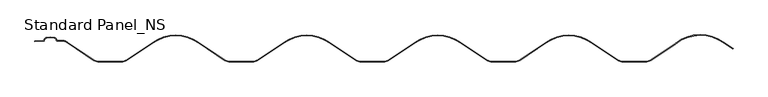
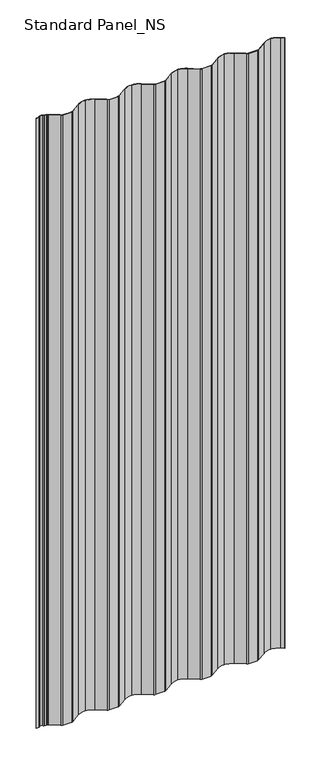
"""IFC4 building model written with IfcOpenShell, lengths in millimetres: proxy geometry, Standard Panel_NS."""

from ifc_helpers import new_model, si_unit, frame, origin, place, context, project, spatial, polyline, circle_curve, source, transform, mapped, element, save
from ifc_brep_helpers import plane_surface, cylinder_surface, revolved_surface, advanced_brep


def standard_panel_ns_d112b444(model_context):
    return source(origin(), model_context, "Body", "AdvancedBrep", [
        advanced_brep(
        [(-486.3485083, 56.731719, 2527.968552), (-487.3351296, 55.8947436, 2527.968552), (-499.9998793, 55.2999936, 2527.968552), (-499.9998793, 54.4964361, 2527.968552), (-487.3351296, 55.0947438, 2527.968552), (-485.5592106, 56.6012998, 2527.968552), (-482.1786224, 60.0466465, 2527.968552), (-470.5868875, 60.0466486, 2527.968552), (-467.2062902, 56.6011784, 2527.968552), (-465.4302124, 55.09444, 2527.968552), (-456.0900423, 55.09444, 2527.968552), (-453.5825161, 54.3696166, 2527.968552), (-450.2545801, 52.1086168, 2527.968552), (-410.7229082, 25.4954367, 2527.968552), (-404.4674259, 23.4994091, 2527.968552), (-365.8686419, 23.4994091, 2527.968552), (-359.6038439, 25.5038768, 2527.968552), (-320.0592959, 52.1248963, 2527.968552), (-285.1677597, 63.5, 2527.968552), (-250.2544324, 52.1089905, 2527.968552), (-210.7229991, 25.4959769, 2527.968552), (-204.4676671, 23.5, 2527.968552), (-165.8676528, 23.5, 2527.968552), (-159.6084129, 25.4988938, 2527.968552), (-120.081087, 52.1089905, 2527.968552), (-85.1677597, 63.5, 2527.968552), (-50.2544324, 52.1089905, 2527.968552), (-10.7229991, 25.4959769, 2527.968552), (-4.4676671, 23.5, 2527.968552), (34.1323473, 23.5, 2527.968552), (40.3915871, 25.4988938, 2527.968552), (79.918913, 52.1089905, 2527.968552), (114.8322403, 63.5, 2527.968552), (149.7455676, 52.1089905, 2527.968552), (189.2770009, 25.4959769, 2527.968552), (195.5323329, 23.5, 2527.968552), (234.1323472, 23.5, 2527.968552), (240.3915871, 25.4988938, 2527.968552), (279.918913, 52.1089905, 2527.968552), (314.8322403, 63.5, 2527.968552), (349.7455676, 52.1089905, 2527.968552), (389.2770009, 25.4959769, 2527.968552), (395.5323329, 23.5, 2527.968552), (434.1321477, 23.5, 2527.968552), (440.3874796, 25.4959769, 2527.968552), (477.7645921, 50.7322407, 2527.968552), (515.2973576, 64.1508962, 2527.968552), (550.1967245, 52.7700785, 2527.968552), (565.0958709, 43.0782637, 2527.968552), (565.5384208, 43.7447092, 2527.968552), (550.6478435, 53.431234, 2527.968552), (515.2973576, 64.9508962, 2527.968552), (477.2936612, 51.3806179, 2527.968552), (439.9241217, 26.1481268, 2527.968552), (434.1321477, 24.3, 2527.968552), (395.5323329, 24.3, 2527.968552), (389.7403589, 26.1481268, 2527.968552), (350.1967965, 52.7700749, 2527.968552), (314.8322403, 64.3, 2527.968552), (279.4676841, 52.7700749, 2527.968552), (239.9282319, 26.1510471, 2527.968552), (234.1321477, 24.3, 2527.968552), (195.5323329, 24.3, 2527.968552), (189.7403589, 26.1481268, 2527.968552), (150.1967965, 52.7700749, 2527.968552), (114.8322403, 64.3, 2527.968552), (79.4676841, 52.7700749, 2527.968552), (39.9282319, 26.1510471, 2527.968552), (34.1321477, 24.3, 2527.968552), (-4.4676671, 24.3, 2527.968552), (-10.2596411, 26.1481268, 2527.968552), (-49.8032035, 52.7700749, 2527.968552), (-85.1677597, 64.3, 2527.968552), (-120.5323159, 52.7700749, 2527.968552), (-160.0717681, 26.1510471, 2527.968552), (-165.8678523, 24.3, 2527.968552), (-204.4676671, 24.3, 2527.968552), (-210.2596411, 26.1481268, 2527.968552), (-249.8032035, 52.7700749, 2527.968552), (-285.1677597, 64.3, 2527.968552), (-320.5103641, 52.7860837, 2527.968552), (-360.0671973, 26.1560287, 2527.968552), (-365.8692904, 24.2994091, 2527.968552), (-404.4674259, 24.2994091, 2527.968552), (-410.2595511, 26.147585, 2527.968552), (-449.8033506, 52.7697008, 2527.968552), (-453.1556854, 55.0462372, 2527.968552), (-456.0900423, 55.89444, 2527.968552), (-465.4302124, 55.89444, 2527.968552), (-466.4169884, 56.731573, 2527.968552), (-470.4575491, 60.8362654, 2527.968552), (-482.3079602, 60.8362634, 2527.968552), (-486.3485083, 56.731719, -250.0), (-482.3079602, 60.8362634, -250.0), (-470.4575491, 60.8362654, -250.0), (-466.4169884, 56.731573, -250.0), (-465.4302124, 55.89444, -250.0), (-456.0900423, 55.89444, -250.0), (-453.1556854, 55.0462373, -250.0), (-449.8033506, 52.7697008, -250.0), (-410.2595501, 26.1475865, -250.0), (-404.4674259, 24.2994091, -250.0), (-365.8692904, 24.2994091, -250.0), (-360.0671978, 26.1560295, -250.0), (-320.5103641, 52.7860837, -250.0), (-285.1677597, 64.3, -250.0), (-249.8032035, 52.7700749, -250.0), (-210.2596411, 26.1481268, -250.0), (-204.4676671, 24.3, -250.0), (-165.8678523, 24.3, -250.0), (-160.0717673, 26.1510461, -250.0), (-120.5323159, 52.7700749, -250.0), (-85.1677597, 64.3, -250.0), (-49.8032035, 52.7700749, -250.0), (-10.2596411, 26.1481268, -250.0), (-4.4676671, 24.3, -250.0), (34.1321477, 24.3, -250.0), (39.9282327, 26.1510461, -250.0), (79.4676841, 52.7700749, -250.0), (114.8322403, 64.3, -250.0), (150.1967965, 52.7700749, -250.0), (189.7403589, 26.1481268, -250.0), (195.5323329, 24.3, -250.0), (234.1321477, 24.3, -250.0), (239.9282327, 26.1510461, -250.0), (279.4676841, 52.7700749, -250.0), (314.8322403, 64.3, -250.0), (350.1967965, 52.7700749, -250.0), (389.7403589, 26.1481268, -250.0), (395.5323329, 24.3, -250.0), (434.1321477, 24.3, -250.0), (439.9241217, 26.1481268, -250.0), (477.2936612, 51.3806179, -250.0), (515.2973576, 64.9508962, -250.0), (550.6478435, 53.431234, -250.0), (565.5384208, 43.7447092, -250.0), (565.0958709, 43.0782637, -250.0), (550.1967245, 52.7700785, -250.0), (515.2973576, 64.1508962, -250.0), (477.7645921, 50.7322407, -250.0), (440.3874796, 25.4959769, -250.0), (434.1321477, 23.5, -250.0), (395.5323329, 23.5, -250.0), (389.2770009, 25.4959769, -250.0), (349.7455676, 52.1089905, -250.0), (314.8322403, 63.5, -250.0), (279.918913, 52.1089905, -250.0), (240.3915864, 25.4988948, -250.0), (234.1323472, 23.5, -250.0), (195.5323329, 23.5, -250.0), (189.2770009, 25.4959769, -250.0), (149.7455676, 52.1089905, -250.0), (114.8322403, 63.5, -250.0), (79.918913, 52.1089905, -250.0), (40.3915864, 25.4988948, -250.0), (34.1323473, 23.5, -250.0), (-4.4676671, 23.5, -250.0), (-10.7229991, 25.4959769, -250.0), (-50.2544324, 52.1089905, -250.0), (-85.1677597, 63.5, -250.0), (-120.081087, 52.1089905, -250.0), (-159.6084136, 25.4988948, -250.0), (-165.8676528, 23.5, -250.0), (-204.4676671, 23.5, -250.0), (-210.7229991, 25.4959769, -250.0), (-250.2544324, 52.1089905, -250.0), (-285.1677597, 63.5, -250.0), (-320.0592959, 52.1248963, -250.0), (-359.6038434, 25.503876, -250.0), (-365.8686419, 23.4994091, -250.0), (-404.4674259, 23.4994091, -250.0), (-410.7229092, 25.4954353, -250.0), (-450.2545801, 52.1086168, -250.0), (-453.5825162, 54.3696165, -250.0), (-456.0900423, 55.09444, -250.0), (-465.4302124, 55.09444, -250.0), (-467.2062902, 56.6011784, -250.0), (-470.5868875, 60.0466486, -250.0), (-482.1786224, 60.0466465, -250.0), (-485.5592106, 56.6012998, -250.0), (-487.3351296, 55.0947436, -250.0), (-499.9998793, 54.4964361, -250.0), (-499.9998793, 55.2999936, -250.0), (-487.3351296, 55.8947438, -250.0)],
        [
            (0, 1, circle_curve(frame((-487.3351296, 56.8947428, 2527.968552), z_axis=(0.0, 0.0, -1.0), x_axis=(1.0, 0.0, 0.0)), 0.9999992)),
            (1, 2, circle_curve(frame((-487.3351296, -79.2457036, 2527.968552), z_axis=(0.0, 0.0, 1.0), x_axis=(1.0, 0.0, 0.0)), 135.1404474)),
            (2, 3),
            (3, 4, circle_curve(frame((-487.3351296, -79.2457036, 2527.968552), z_axis=(0.0, 0.0, -1.0), x_axis=(1.0, 0.0, 0.0)), 134.3404474)),
            (4, 5, circle_curve(frame((-487.3351296, 56.8947428, 2527.968552), z_axis=(0.0, 0.0, 1.0), x_axis=(1.0, 0.0, 0.0)), 1.7999992)),
            (5, 6, circle_curve(frame((-481.4154327, 55.9166048, 2527.968552), z_axis=(0.0, 0.0, -1.0), x_axis=(1.0, 0.0, 0.0)), 4.1999646)),
            (6, 7, circle_curve(frame((-476.3827477, 19.9354014, 2527.968552), z_axis=(0.0, 0.0, -1.0), x_axis=(1.0, 0.0, 0.0)), 40.5278194)),
            (7, 8, circle_curve(frame((-471.3500849, 55.9166129, 2527.968552), z_axis=(0.0, 0.0, -1.0), x_axis=(1.0, 0.0, 0.0)), 4.1999601)),
            (8, 9, circle_curve(frame((-465.4302124, 56.8945909, 2527.968552), z_axis=(0.0, 0.0, 1.0), x_axis=(1.0, 0.0, 0.0)), 1.8001509)),
            (9, 10),
            (10, 11, circle_curve(frame((-456.0900423, 50.3946355, 2527.968552), z_axis=(0.0, 0.0, -1.0), x_axis=(1.0, 0.0, 0.0)), 4.6998045)),
            (11, 12, circle_curve(frame((-485.1678875, 4.2998482, 2527.968552), z_axis=(0.0, 0.0, -1.0), x_axis=(1.0, 0.0, 0.0)), 59.199809)),
            (12, 13, circle_curve(frame((-957.9133952, -744.6435529, 2527.968552), z_axis=(0.0, 0.0, -1.0), x_axis=(1.0, 0.0, 0.0)), 944.7388488)),
            (13, 14, circle_curve(frame((-404.4674259, 34.2996665, 2527.968552), z_axis=(0.0, 0.0, 1.0), x_axis=(1.0, 0.0, 0.0)), 10.8002574)),
            (14, 15),
            (15, 16, circle_curve(frame((-365.8858957, 34.3456225, 2527.968552), z_axis=(0.0, 0.0, 1.0), x_axis=(1.0, 0.0, 0.0)), 10.8462271)),
            (16, 17, circle_curve(frame((187.5821921, -744.6393788, 2527.968552), z_axis=(0.0, 0.0, -1.0), x_axis=(1.0, 0.0, 0.0)), 944.7397474)),
            (17, 18, circle_curve(frame((-285.1677597, 4.3, 2527.968552), z_axis=(0.0, 0.0, -1.0), x_axis=(1.0, 0.0, 0.0)), 59.2)),
            (18, 19, circle_curve(frame((-285.1677597, 4.3, 2527.968552), z_axis=(0.0, 0.0, -1.0), x_axis=(1.0, 0.0, 0.0)), 59.2)),
            (19, 20, circle_curve(frame((-757.9133965, -744.6433117, 2527.968552), z_axis=(0.0, 0.0, -1.0), x_axis=(1.0, 0.0, 0.0)), 944.7390407)),
            (20, 21, circle_curve(frame((-204.4676671, 34.3, 2527.968552), z_axis=(0.0, 0.0, 1.0), x_axis=(1.0, 0.0, 0.0)), 10.8)),
            (21, 22),
            (22, 23, circle_curve(frame((-165.8729478, 34.3159692, 2527.968552), z_axis=(0.0, 0.0, 1.0), x_axis=(1.0, 0.0, 0.0)), 10.8159704)),
            (23, 24, circle_curve(frame((387.5778771, -744.6433117, 2527.968552), z_axis=(0.0, 0.0, -1.0), x_axis=(1.0, 0.0, 0.0)), 944.7390407)),
            (24, 25, circle_curve(frame((-85.1677597, 4.3, 2527.968552), z_axis=(0.0, 0.0, -1.0), x_axis=(1.0, 0.0, 0.0)), 59.2)),
            (25, 26, circle_curve(frame((-85.1677597, 4.3, 2527.968552), z_axis=(0.0, 0.0, -1.0), x_axis=(1.0, 0.0, 0.0)), 59.2)),
            (26, 27, circle_curve(frame((-557.9133965, -744.6433117, 2527.968552), z_axis=(0.0, 0.0, -1.0), x_axis=(1.0, 0.0, 0.0)), 944.7390407)),
            (27, 28, circle_curve(frame((-4.4676671, 34.3, 2527.968552), z_axis=(0.0, 0.0, 1.0), x_axis=(1.0, 0.0, 0.0)), 10.8)),
            (28, 29),
            (29, 30, circle_curve(frame((34.1270522, 34.3159692, 2527.968552), z_axis=(0.0, 0.0, 1.0), x_axis=(1.0, 0.0, 0.0)), 10.8159704)),
            (30, 31, circle_curve(frame((587.5778771, -744.6433117, 2527.968552), z_axis=(0.0, 0.0, -1.0), x_axis=(1.0, 0.0, 0.0)), 944.7390407)),
            (31, 32, circle_curve(frame((114.8322403, 4.3, 2527.968552), z_axis=(0.0, 0.0, -1.0), x_axis=(1.0, 0.0, 0.0)), 59.2)),
            (32, 33, circle_curve(frame((114.8322403, 4.3, 2527.968552), z_axis=(0.0, 0.0, -1.0), x_axis=(1.0, 0.0, 0.0)), 59.2)),
            (33, 34, circle_curve(frame((-357.9133965, -744.6433117, 2527.968552), z_axis=(0.0, 0.0, -1.0), x_axis=(1.0, 0.0, 0.0)), 944.7390407)),
            (34, 35, circle_curve(frame((195.5323329, 34.3, 2527.968552), z_axis=(0.0, 0.0, 1.0), x_axis=(1.0, 0.0, 0.0)), 10.8)),
            (35, 36),
            (36, 37, circle_curve(frame((234.1270522, 34.3159692, 2527.968552), z_axis=(0.0, 0.0, 1.0), x_axis=(1.0, 0.0, 0.0)), 10.8159704)),
            (37, 38, circle_curve(frame((787.5778771, -744.6433117, 2527.968552), z_axis=(0.0, 0.0, -1.0), x_axis=(1.0, 0.0, 0.0)), 944.7390407)),
            (38, 39, circle_curve(frame((314.8322403, 4.3, 2527.968552), z_axis=(0.0, 0.0, -1.0), x_axis=(1.0, 0.0, 0.0)), 59.2)),
            (39, 40, circle_curve(frame((314.8322403, 4.3, 2527.968552), z_axis=(0.0, 0.0, -1.0), x_axis=(1.0, 0.0, 0.0)), 59.2)),
            (40, 41, circle_curve(frame((-157.9133965, -744.6433117, 2527.968552), z_axis=(0.0, 0.0, -1.0), x_axis=(1.0, 0.0, 0.0)), 944.7390407)),
            (41, 42, circle_curve(frame((395.5323329, 34.3, 2527.968552), z_axis=(0.0, 0.0, 1.0), x_axis=(1.0, 0.0, 0.0)), 10.8)),
            (42, 43),
            (43, 44, circle_curve(frame((434.1321477, 34.3, 2527.968552), z_axis=(0.0, 0.0, 1.0), x_axis=(1.0, 0.0, 0.0)), 10.8)),
            (44, 45, circle_curve(frame((987.5778771, -744.6433117, 2527.968552), z_axis=(0.0, 0.0, -1.0), x_axis=(1.0, 0.0, 0.0)), 944.7390407)),
            (45, 46, circle_curve(frame((515.2973576, 4.9508962, 2527.968552), z_axis=(0.0, 0.0, -1.0), x_axis=(1.0, 0.0, 0.0)), 59.2)),
            (46, 47, circle_curve(frame((515.2973576, 4.9508962, 2527.968552), z_axis=(0.0, 0.0, -1.0), x_axis=(1.0, 0.0, 0.0)), 59.2)),
            (47, 48, circle_curve(frame((45.5507572, -739.3160553, 2527.968552), z_axis=(0.0, 0.0, -1.0), x_axis=(1.0, 0.0, 0.0)), 939.1847505)),
            (48, 49),
            (49, 50, circle_curve(frame((45.5507572, -739.3160553, 2527.968552), z_axis=(0.0, 0.0, 1.0), x_axis=(1.0, 0.0, 0.0)), 939.9847505)),
            (50, 51, circle_curve(frame((515.2973576, 4.9508962, 2527.968552), z_axis=(0.0, 0.0, 1.0), x_axis=(1.0, 0.0, 0.0)), 60.0)),
            (51, 52, circle_curve(frame((515.2973576, 4.9508962, 2527.968552), z_axis=(0.0, 0.0, 1.0), x_axis=(1.0, 0.0, 0.0)), 60.0)),
            (52, 53, circle_curve(frame((987.5778771, -744.6433117, 2527.968552), z_axis=(0.0, 0.0, 1.0), x_axis=(1.0, 0.0, 0.0)), 945.5390407)),
            (53, 54, circle_curve(frame((434.1321477, 34.3, 2527.968552), z_axis=(0.0, 0.0, -1.0), x_axis=(1.0, 0.0, 0.0)), 10.0)),
            (54, 55),
            (55, 56, circle_curve(frame((395.5323329, 34.3, 2527.968552), z_axis=(0.0, 0.0, -1.0), x_axis=(1.0, 0.0, 0.0)), 10.0)),
            (56, 57, circle_curve(frame((-157.9133965, -744.6433117, 2527.968552), z_axis=(0.0, 0.0, 1.0), x_axis=(1.0, 0.0, 0.0)), 945.5390407)),
            (57, 58, circle_curve(frame((314.8322403, 4.3, 2527.968552), z_axis=(0.0, 0.0, 1.0), x_axis=(1.0, 0.0, 0.0)), 60.0)),
            (58, 59, circle_curve(frame((314.8322403, 4.3, 2527.968552), z_axis=(0.0, 0.0, 1.0), x_axis=(1.0, 0.0, 0.0)), 60.0)),
            (59, 60, circle_curve(frame((787.5778771, -744.6433117, 2527.968552), z_axis=(0.0, 0.0, 1.0), x_axis=(1.0, 0.0, 0.0)), 945.5390407)),
            (60, 61, circle_curve(frame((234.1270522, 34.3159692, 2527.968552), z_axis=(0.0, 0.0, -1.0), x_axis=(1.0, 0.0, 0.0)), 10.0159704)),
            (61, 62),
            (62, 63, circle_curve(frame((195.5323329, 34.3, 2527.968552), z_axis=(0.0, 0.0, -1.0), x_axis=(1.0, 0.0, 0.0)), 10.0)),
            (63, 64, circle_curve(frame((-357.9133965, -744.6433117, 2527.968552), z_axis=(0.0, 0.0, 1.0), x_axis=(1.0, 0.0, 0.0)), 945.5390407)),
            (64, 65, circle_curve(frame((114.8322403, 4.3, 2527.968552), z_axis=(0.0, 0.0, 1.0), x_axis=(1.0, 0.0, 0.0)), 60.0)),
            (65, 66, circle_curve(frame((114.8322403, 4.3, 2527.968552), z_axis=(0.0, 0.0, 1.0), x_axis=(1.0, 0.0, 0.0)), 60.0)),
            (66, 67, circle_curve(frame((587.5778771, -744.6433117, 2527.968552), z_axis=(0.0, 0.0, 1.0), x_axis=(1.0, 0.0, 0.0)), 945.5390407)),
            (67, 68, circle_curve(frame((34.1270522, 34.3159692, 2527.968552), z_axis=(0.0, 0.0, -1.0), x_axis=(1.0, 0.0, 0.0)), 10.0159704)),
            (68, 69),
            (69, 70, circle_curve(frame((-4.4676671, 34.3, 2527.968552), z_axis=(0.0, 0.0, -1.0), x_axis=(1.0, 0.0, 0.0)), 10.0)),
            (70, 71, circle_curve(frame((-557.9133965, -744.6433117, 2527.968552), z_axis=(0.0, 0.0, 1.0), x_axis=(1.0, 0.0, 0.0)), 945.5390407)),
            (71, 72, circle_curve(frame((-85.1677597, 4.3, 2527.968552), z_axis=(0.0, 0.0, 1.0), x_axis=(1.0, 0.0, 0.0)), 60.0)),
            (72, 73, circle_curve(frame((-85.1677597, 4.3, 2527.968552), z_axis=(0.0, 0.0, 1.0), x_axis=(1.0, 0.0, 0.0)), 60.0)),
            (73, 74, circle_curve(frame((387.5778771, -744.6433117, 2527.968552), z_axis=(0.0, 0.0, 1.0), x_axis=(1.0, 0.0, 0.0)), 945.5390407)),
            (74, 75, circle_curve(frame((-165.8729478, 34.3159692, 2527.968552), z_axis=(0.0, 0.0, -1.0), x_axis=(1.0, 0.0, 0.0)), 10.0159704)),
            (75, 76),
            (76, 77, circle_curve(frame((-204.4676671, 34.3, 2527.968552), z_axis=(0.0, 0.0, -1.0), x_axis=(1.0, 0.0, 0.0)), 10.0)),
            (77, 78, circle_curve(frame((-757.9133965, -744.6433117, 2527.968552), z_axis=(0.0, 0.0, 1.0), x_axis=(1.0, 0.0, 0.0)), 945.5390407)),
            (78, 79, circle_curve(frame((-285.1677597, 4.3, 2527.968552), z_axis=(0.0, 0.0, 1.0), x_axis=(1.0, 0.0, 0.0)), 60.0)),
            (79, 80, circle_curve(frame((-285.1677597, 4.3, 2527.968552), z_axis=(0.0, 0.0, 1.0), x_axis=(1.0, 0.0, 0.0)), 60.0)),
            (80, 81, circle_curve(frame((187.5821921, -744.6393788, 2527.968552), z_axis=(0.0, 0.0, 1.0), x_axis=(1.0, 0.0, 0.0)), 945.5397474)),
            (81, 82, circle_curve(frame((-365.8858957, 34.3456225, 2527.968552), z_axis=(0.0, 0.0, -1.0), x_axis=(1.0, 0.0, 0.0)), 10.0462271)),
            (82, 83),
            (83, 84, circle_curve(frame((-404.4674259, 34.2996665, 2527.968552), z_axis=(0.0, 0.0, -1.0), x_axis=(1.0, 0.0, 0.0)), 10.0002574)),
            (84, 85, circle_curve(frame((-957.9133952, -744.6435529, 2527.968552), z_axis=(0.0, 0.0, 1.0), x_axis=(1.0, 0.0, 0.0)), 945.5388488)),
            (85, 86, circle_curve(frame((-485.1678875, 4.2998482, 2527.968552), z_axis=(0.0, 0.0, 1.0), x_axis=(1.0, 0.0, 0.0)), 59.999809)),
            (86, 87, circle_curve(frame((-456.0900423, 50.3946355, 2527.968552), z_axis=(0.0, 0.0, 1.0), x_axis=(1.0, 0.0, 0.0)), 5.4998045)),
            (87, 88),
            (88, 89, circle_curve(frame((-465.4302124, 56.8945909, 2527.968552), z_axis=(0.0, 0.0, -1.0), x_axis=(1.0, 0.0, 0.0)), 1.0001509)),
            (89, 90, circle_curve(frame((-471.3500849, 55.9166129, 2527.968552), z_axis=(0.0, 0.0, 1.0), x_axis=(1.0, 0.0, 0.0)), 4.9999601)),
            (90, 91, circle_curve(frame((-476.3827477, 19.9354014, 2527.968552), z_axis=(0.0, 0.0, 1.0), x_axis=(1.0, 0.0, 0.0)), 41.3278194)),
            (91, 0, circle_curve(frame((-481.4154327, 55.9166048, 2527.968552), z_axis=(0.0, 0.0, 1.0), x_axis=(1.0, 0.0, 0.0)), 4.9999646)),
            (92, 93, circle_curve(frame((-481.4154327, 55.9166048, -250.0), z_axis=(0.0, 0.0, -1.0), x_axis=(1.0, 0.0, 0.0)), 4.9999646)),
            (93, 94, circle_curve(frame((-476.3827477, 19.9354014, -250.0), z_axis=(0.0, 0.0, -1.0), x_axis=(1.0, 0.0, 0.0)), 41.3278194)),
            (94, 95, circle_curve(frame((-471.3500849, 55.9166129, -250.0), z_axis=(0.0, 0.0, -1.0), x_axis=(1.0, 0.0, 0.0)), 4.9999601)),
            (95, 96, circle_curve(frame((-465.4302124, 56.8945909, -250.0), z_axis=(0.0, 0.0, 1.0), x_axis=(1.0, 0.0, 0.0)), 1.0001509)),
            (96, 97),
            (97, 98, circle_curve(frame((-456.0900423, 50.3946355, -250.0), z_axis=(0.0, 0.0, -1.0), x_axis=(1.0, 0.0, 0.0)), 5.4998045)),
            (98, 99, circle_curve(frame((-485.1678875, 4.2998482, -250.0), z_axis=(0.0, 0.0, -1.0), x_axis=(1.0, 0.0, 0.0)), 59.999809)),
            (99, 100, circle_curve(frame((-957.9133952, -744.6435529, -250.0), z_axis=(0.0, 0.0, -1.0), x_axis=(1.0, 0.0, 0.0)), 945.5388488)),
            (100, 101, circle_curve(frame((-404.4674259, 34.2996665, -250.0), z_axis=(0.0, 0.0, 1.0), x_axis=(1.0, 0.0, 0.0)), 10.0002574)),
            (101, 102),
            (102, 103, circle_curve(frame((-365.8858957, 34.3456225, -250.0), z_axis=(0.0, 0.0, 1.0), x_axis=(1.0, 0.0, 0.0)), 10.0462271)),
            (103, 104, circle_curve(frame((187.5821921, -744.6393788, -250.0), z_axis=(0.0, 0.0, -1.0), x_axis=(1.0, 0.0, 0.0)), 945.5397474)),
            (104, 105, circle_curve(frame((-285.1677597, 4.3, -250.0), z_axis=(0.0, 0.0, -1.0), x_axis=(1.0, 0.0, 0.0)), 60.0)),
            (105, 106, circle_curve(frame((-285.1677597, 4.3, -250.0), z_axis=(0.0, 0.0, -1.0), x_axis=(1.0, 0.0, 0.0)), 60.0)),
            (106, 107, circle_curve(frame((-757.9133965, -744.6433117, -250.0), z_axis=(0.0, 0.0, -1.0), x_axis=(1.0, 0.0, 0.0)), 945.5390407)),
            (107, 108, circle_curve(frame((-204.4676671, 34.3, -250.0), z_axis=(0.0, 0.0, 1.0), x_axis=(1.0, 0.0, 0.0)), 10.0)),
            (108, 109),
            (109, 110, circle_curve(frame((-165.8729478, 34.3159692, -250.0), z_axis=(0.0, 0.0, 1.0), x_axis=(1.0, 0.0, 0.0)), 10.0159704)),
            (110, 111, circle_curve(frame((387.5778771, -744.6433117, -250.0), z_axis=(0.0, 0.0, -1.0), x_axis=(1.0, 0.0, 0.0)), 945.5390407)),
            (111, 112, circle_curve(frame((-85.1677597, 4.3, -250.0), z_axis=(0.0, 0.0, -1.0), x_axis=(1.0, 0.0, 0.0)), 60.0)),
            (112, 113, circle_curve(frame((-85.1677597, 4.3, -250.0), z_axis=(0.0, 0.0, -1.0), x_axis=(1.0, 0.0, 0.0)), 60.0)),
            (113, 114, circle_curve(frame((-557.9133965, -744.6433117, -250.0), z_axis=(0.0, 0.0, -1.0), x_axis=(1.0, 0.0, 0.0)), 945.5390407)),
            (114, 115, circle_curve(frame((-4.4676671, 34.3, -250.0), z_axis=(0.0, 0.0, 1.0), x_axis=(1.0, 0.0, 0.0)), 10.0)),
            (115, 116),
            (116, 117, circle_curve(frame((34.1270522, 34.3159692, -250.0), z_axis=(0.0, 0.0, 1.0), x_axis=(1.0, 0.0, 0.0)), 10.0159704)),
            (117, 118, circle_curve(frame((587.5778771, -744.6433117, -250.0), z_axis=(0.0, 0.0, -1.0), x_axis=(1.0, 0.0, 0.0)), 945.5390407)),
            (118, 119, circle_curve(frame((114.8322403, 4.3, -250.0), z_axis=(0.0, 0.0, -1.0), x_axis=(1.0, 0.0, 0.0)), 60.0)),
            (119, 120, circle_curve(frame((114.8322403, 4.3, -250.0), z_axis=(0.0, 0.0, -1.0), x_axis=(1.0, 0.0, 0.0)), 60.0)),
            (120, 121, circle_curve(frame((-357.9133965, -744.6433117, -250.0), z_axis=(0.0, 0.0, -1.0), x_axis=(1.0, 0.0, 0.0)), 945.5390407)),
            (121, 122, circle_curve(frame((195.5323329, 34.3, -250.0), z_axis=(0.0, 0.0, 1.0), x_axis=(1.0, 0.0, 0.0)), 10.0)),
            (122, 123),
            (123, 124, circle_curve(frame((234.1270522, 34.3159692, -250.0), z_axis=(0.0, 0.0, 1.0), x_axis=(1.0, 0.0, 0.0)), 10.0159704)),
            (124, 125, circle_curve(frame((787.5778771, -744.6433117, -250.0), z_axis=(0.0, 0.0, -1.0), x_axis=(1.0, 0.0, 0.0)), 945.5390407)),
            (125, 126, circle_curve(frame((314.8322403, 4.3, -250.0), z_axis=(0.0, 0.0, -1.0), x_axis=(1.0, 0.0, 0.0)), 60.0)),
            (126, 127, circle_curve(frame((314.8322403, 4.3, -250.0), z_axis=(0.0, 0.0, -1.0), x_axis=(1.0, 0.0, 0.0)), 60.0)),
            (127, 128, circle_curve(frame((-157.9133965, -744.6433117, -250.0), z_axis=(0.0, 0.0, -1.0), x_axis=(1.0, 0.0, 0.0)), 945.5390407)),
            (128, 129, circle_curve(frame((395.5323329, 34.3, -250.0), z_axis=(0.0, 0.0, 1.0), x_axis=(1.0, 0.0, 0.0)), 10.0)),
            (129, 130),
            (130, 131, circle_curve(frame((434.1321477, 34.3, -250.0), z_axis=(0.0, 0.0, 1.0), x_axis=(1.0, 0.0, 0.0)), 10.0)),
            (131, 132, circle_curve(frame((987.5778771, -744.6433117, -250.0), z_axis=(0.0, 0.0, -1.0), x_axis=(1.0, 0.0, 0.0)), 945.5390407)),
            (132, 133, circle_curve(frame((515.2973576, 4.9508962, -250.0), z_axis=(0.0, 0.0, -1.0), x_axis=(1.0, 0.0, 0.0)), 60.0)),
            (133, 134, circle_curve(frame((515.2973576, 4.9508962, -250.0), z_axis=(0.0, 0.0, -1.0), x_axis=(1.0, 0.0, 0.0)), 60.0)),
            (134, 135, circle_curve(frame((45.5507572, -739.3160553, -250.0), z_axis=(0.0, 0.0, -1.0), x_axis=(1.0, 0.0, 0.0)), 939.9847505)),
            (135, 136),
            (136, 137, circle_curve(frame((45.5507572, -739.3160553, -250.0), z_axis=(0.0, 0.0, 1.0), x_axis=(1.0, 0.0, 0.0)), 939.1847505)),
            (137, 138, circle_curve(frame((515.2973576, 4.9508962, -250.0), z_axis=(0.0, 0.0, 1.0), x_axis=(1.0, 0.0, 0.0)), 59.2)),
            (138, 139, circle_curve(frame((515.2973576, 4.9508962, -250.0), z_axis=(0.0, 0.0, 1.0), x_axis=(1.0, 0.0, 0.0)), 59.2)),
            (139, 140, circle_curve(frame((987.5778771, -744.6433117, -250.0), z_axis=(0.0, 0.0, 1.0), x_axis=(1.0, 0.0, 0.0)), 944.7390407)),
            (140, 141, circle_curve(frame((434.1321477, 34.3, -250.0), z_axis=(0.0, 0.0, -1.0), x_axis=(1.0, 0.0, 0.0)), 10.8)),
            (141, 142),
            (142, 143, circle_curve(frame((395.5323329, 34.3, -250.0), z_axis=(0.0, 0.0, -1.0), x_axis=(1.0, 0.0, 0.0)), 10.8)),
            (143, 144, circle_curve(frame((-157.9133965, -744.6433117, -250.0), z_axis=(0.0, 0.0, 1.0), x_axis=(1.0, 0.0, 0.0)), 944.7390407)),
            (144, 145, circle_curve(frame((314.8322403, 4.3, -250.0), z_axis=(0.0, 0.0, 1.0), x_axis=(1.0, 0.0, 0.0)), 59.2)),
            (145, 146, circle_curve(frame((314.8322403, 4.3, -250.0), z_axis=(0.0, 0.0, 1.0), x_axis=(1.0, 0.0, 0.0)), 59.2)),
            (146, 147, circle_curve(frame((787.5778771, -744.6433117, -250.0), z_axis=(0.0, 0.0, 1.0), x_axis=(1.0, 0.0, 0.0)), 944.7390407)),
            (147, 148, circle_curve(frame((234.1270522, 34.3159692, -250.0), z_axis=(0.0, 0.0, -1.0), x_axis=(1.0, 0.0, 0.0)), 10.8159704)),
            (148, 149),
            (149, 150, circle_curve(frame((195.5323329, 34.3, -250.0), z_axis=(0.0, 0.0, -1.0), x_axis=(1.0, 0.0, 0.0)), 10.8)),
            (150, 151, circle_curve(frame((-357.9133965, -744.6433117, -250.0), z_axis=(0.0, 0.0, 1.0), x_axis=(1.0, 0.0, 0.0)), 944.7390407)),
            (151, 152, circle_curve(frame((114.8322403, 4.3, -250.0), z_axis=(0.0, 0.0, 1.0), x_axis=(1.0, 0.0, 0.0)), 59.2)),
            (152, 153, circle_curve(frame((114.8322403, 4.3, -250.0), z_axis=(0.0, 0.0, 1.0), x_axis=(1.0, 0.0, 0.0)), 59.2)),
            (153, 154, circle_curve(frame((587.5778771, -744.6433117, -250.0), z_axis=(0.0, 0.0, 1.0), x_axis=(1.0, 0.0, 0.0)), 944.7390407)),
            (154, 155, circle_curve(frame((34.1270522, 34.3159692, -250.0), z_axis=(0.0, 0.0, -1.0), x_axis=(1.0, 0.0, 0.0)), 10.8159704)),
            (155, 156),
            (156, 157, circle_curve(frame((-4.4676671, 34.3, -250.0), z_axis=(0.0, 0.0, -1.0), x_axis=(1.0, 0.0, 0.0)), 10.8)),
            (157, 158, circle_curve(frame((-557.9133965, -744.6433117, -250.0), z_axis=(0.0, 0.0, 1.0), x_axis=(1.0, 0.0, 0.0)), 944.7390407)),
            (158, 159, circle_curve(frame((-85.1677597, 4.3, -250.0), z_axis=(0.0, 0.0, 1.0), x_axis=(1.0, 0.0, 0.0)), 59.2)),
            (159, 160, circle_curve(frame((-85.1677597, 4.3, -250.0), z_axis=(0.0, 0.0, 1.0), x_axis=(1.0, 0.0, 0.0)), 59.2)),
            (160, 161, circle_curve(frame((387.5778771, -744.6433117, -250.0), z_axis=(0.0, 0.0, 1.0), x_axis=(1.0, 0.0, 0.0)), 944.7390407)),
            (161, 162, circle_curve(frame((-165.8729478, 34.3159692, -250.0), z_axis=(0.0, 0.0, -1.0), x_axis=(1.0, 0.0, 0.0)), 10.8159704)),
            (162, 163),
            (163, 164, circle_curve(frame((-204.4676671, 34.3, -250.0), z_axis=(0.0, 0.0, -1.0), x_axis=(1.0, 0.0, 0.0)), 10.8)),
            (164, 165, circle_curve(frame((-757.9133965, -744.6433117, -250.0), z_axis=(0.0, 0.0, 1.0), x_axis=(1.0, 0.0, 0.0)), 944.7390407)),
            (165, 166, circle_curve(frame((-285.1677597, 4.3, -250.0), z_axis=(0.0, 0.0, 1.0), x_axis=(1.0, 0.0, 0.0)), 59.2)),
            (166, 167, circle_curve(frame((-285.1677597, 4.3, -250.0), z_axis=(0.0, 0.0, 1.0), x_axis=(1.0, 0.0, 0.0)), 59.2)),
            (167, 168, circle_curve(frame((187.5821921, -744.6393788, -250.0), z_axis=(0.0, 0.0, 1.0), x_axis=(1.0, 0.0, 0.0)), 944.7397474)),
            (168, 169, circle_curve(frame((-365.8858957, 34.3456225, -250.0), z_axis=(0.0, 0.0, -1.0), x_axis=(1.0, 0.0, 0.0)), 10.8462271)),
            (169, 170),
            (170, 171, circle_curve(frame((-404.4674259, 34.2996665, -250.0), z_axis=(0.0, 0.0, -1.0), x_axis=(1.0, 0.0, 0.0)), 10.8002574)),
            (171, 172, circle_curve(frame((-957.9133952, -744.6435529, -250.0), z_axis=(0.0, 0.0, 1.0), x_axis=(1.0, 0.0, 0.0)), 944.7388488)),
            (172, 173, circle_curve(frame((-485.1678875, 4.2998482, -250.0), z_axis=(0.0, 0.0, 1.0), x_axis=(1.0, 0.0, 0.0)), 59.199809)),
            (173, 174, circle_curve(frame((-456.0900423, 50.3946355, -250.0), z_axis=(0.0, 0.0, 1.0), x_axis=(1.0, 0.0, 0.0)), 4.6998045)),
            (174, 175),
            (175, 176, circle_curve(frame((-465.4302124, 56.8945909, -250.0), z_axis=(0.0, 0.0, -1.0), x_axis=(1.0, 0.0, 0.0)), 1.8001509)),
            (176, 177, circle_curve(frame((-471.3500849, 55.9166129, -250.0), z_axis=(0.0, 0.0, 1.0), x_axis=(1.0, 0.0, 0.0)), 4.1999601)),
            (177, 178, circle_curve(frame((-476.3827477, 19.9354014, -250.0), z_axis=(0.0, 0.0, 1.0), x_axis=(1.0, 0.0, 0.0)), 40.5278194)),
            (178, 179, circle_curve(frame((-481.4154327, 55.9166048, -250.0), z_axis=(0.0, 0.0, 1.0), x_axis=(1.0, 0.0, 0.0)), 4.1999646)),
            (179, 180, circle_curve(frame((-487.3351296, 56.8947428, -250.0), z_axis=(0.0, 0.0, -1.0), x_axis=(1.0, 0.0, 0.0)), 1.7999992)),
            (180, 181, circle_curve(frame((-487.3351296, -79.2457036, -250.0), z_axis=(0.0, 0.0, 1.0), x_axis=(1.0, 0.0, 0.0)), 134.3404474)),
            (181, 182),
            (182, 183, circle_curve(frame((-487.3351296, -79.2457036, -250.0), z_axis=(0.0, 0.0, -1.0), x_axis=(1.0, 0.0, 0.0)), 135.1404474)),
            (183, 92, circle_curve(frame((-487.3351296, 56.8947428, -250.0), z_axis=(0.0, 0.0, 1.0), x_axis=(1.0, 0.0, 0.0)), 0.9999992)),
            (0, 92),
            (183, 1),
            (182, 2),
            (181, 3),
            (180, 4),
            (179, 5),
            (178, 6),
            (177, 7),
            (176, 8),
            (175, 9),
            (174, 10),
            (173, 11),
            (172, 12),
            (171, 13),
            (170, 14),
            (169, 15),
            (168, 16),
            (167, 17),
            (166, 18),
            (165, 19),
            (164, 20),
            (163, 21),
            (162, 22),
            (161, 23),
            (160, 24),
            (159, 25),
            (158, 26),
            (157, 27),
            (156, 28),
            (155, 29),
            (154, 30),
            (153, 31),
            (152, 32),
            (151, 33),
            (150, 34),
            (149, 35),
            (148, 36),
            (147, 37),
            (146, 38),
            (145, 39),
            (144, 40),
            (143, 41),
            (142, 42),
            (141, 43),
            (54, 130),
            (129, 55),
            (128, 56),
            (127, 57),
            (126, 58),
            (125, 59),
            (124, 60),
            (123, 61),
            (122, 62),
            (121, 63),
            (120, 64),
            (119, 65),
            (118, 66),
            (117, 67),
            (116, 68),
            (115, 69),
            (114, 70),
            (113, 71),
            (112, 72),
            (111, 73),
            (110, 74),
            (109, 75),
            (108, 76),
            (107, 77),
            (106, 78),
            (105, 79),
            (104, 80),
            (103, 81),
            (102, 82),
            (101, 83),
            (100, 84),
            (99, 85),
            (98, 86),
            (97, 87),
            (96, 88),
            (95, 89),
            (94, 90),
            (93, 91),
            (140, 44),
            (139, 45),
            (138, 46),
            (137, 47),
            (136, 48),
            (135, 49),
            (134, 50),
            (133, 51),
            (132, 52),
            (131, 53),
        ],
        [
            plane_surface(frame((9.07e-05, 24.3, 2527.968552), z_axis=(0.0, 0.0, 1.0), x_axis=(0.0, 1.0, 0.0))),
            plane_surface(frame((9.07e-05, 24.3, -250.0), z_axis=(0.0, 0.0, -1.0), x_axis=(0.0, 1.0, 0.0))),
            revolved_surface(polyline([(-486.3351304, 56.8947428, -250.0), (-486.3351304, 56.8947428, 2527.968552)]), (-487.3351296, 56.8947428, 2527.968552), (0.0, 0.0, -1.0)),
            cylinder_surface(frame((-487.3351296, -79.2457036, 2527.968552), z_axis=(0.0, 0.0, 1.0), x_axis=(1.0, 0.0, 0.0)), 135.1404474),
            plane_surface(frame((-499.9998793, 55.2999936, 2527.968552), z_axis=(-1.0, 0.0, 0.0), x_axis=(0.0, 0.0, -1.0))),
            revolved_surface(polyline([(-352.99468220000006, -79.2457036, -250.0), (-352.99468220000006, -79.2457036, 2527.968552)]), (-487.3351296, -79.2457036, 2527.968552), (0.0, 0.0, -1.0)),
            cylinder_surface(frame((-487.3351296, 56.8947428, 2527.968552), z_axis=(0.0, 0.0, 1.0), x_axis=(1.0, 0.0, 0.0)), 1.7999992),
            revolved_surface(polyline([(-477.2154681, 55.9166048, -250.0), (-477.2154681, 55.9166048, 2527.968552)]), (-481.4154327, 55.9166048, 2527.968552), (0.0, 0.0, -1.0)),
            revolved_surface(polyline([(-435.8549283, 19.9354014, -250.0), (-435.8549283, 19.9354014, 2527.968552)]), (-476.3827477, 19.9354014, 2527.968552), (0.0, 0.0, -1.0)),
            revolved_surface(polyline([(-467.1501248, 55.9166129, -250.0), (-467.1501248, 55.9166129, 2527.968552)]), (-471.3500849, 55.9166129, 2527.968552), (0.0, 0.0, -1.0)),
            cylinder_surface(frame((-465.4302124, 56.8945909, 2527.968552), z_axis=(0.0, 0.0, 1.0), x_axis=(1.0, 0.0, 0.0)), 1.8001509),
            plane_surface(frame((-465.4302124, 55.09444, 2527.968552), z_axis=(0.0, -1.0, 0.0), x_axis=(0.0, 0.0, -1.0))),
            revolved_surface(polyline([(-451.39023779999997, 50.3946355, -250.0), (-451.39023779999997, 50.3946355, 2527.968552)]), (-456.0900423, 50.3946355, 2527.968552), (0.0, 0.0, -1.0)),
            revolved_surface(polyline([(-425.9680785, 4.2998482, -250.0), (-425.9680785, 4.2998482, 2527.968552)]), (-485.1678875, 4.2998482, 2527.968552), (0.0, 0.0, -1.0)),
            revolved_surface(polyline([(-13.17454639999994, -744.6435529, -250.0), (-13.17454639999994, -744.6435529, 2527.968552)]), (-957.9133952, -744.6435529, 2527.968552), (0.0, 0.0, -1.0)),
            cylinder_surface(frame((-404.4674259, 34.2996665, 2527.968552), z_axis=(0.0, 0.0, 1.0), x_axis=(1.0, 0.0, 0.0)), 10.8002574),
            plane_surface(frame((-404.4674259, 23.4994091, 2527.968552), z_axis=(0.0, -1.0, 0.0), x_axis=(0.0, 0.0, -1.0))),
            cylinder_surface(frame((-365.8858957, 34.3456225, 2527.968552), z_axis=(0.0, 0.0, 1.0), x_axis=(1.0, 0.0, 0.0)), 10.8462271),
            revolved_surface(polyline([(1132.3219395, -744.6393788, -250.0), (1132.3219395, -744.6393788, 2527.968552)]), (187.5821921, -744.6393788, 2527.968552), (0.0, 0.0, -1.0)),
            revolved_surface(polyline([(-225.9677597, 4.3, -250.0), (-225.9677597, 4.3, 2527.968552)]), (-285.1677597, 4.3, 2527.968552), (0.0, 0.0, -1.0)),
            revolved_surface(polyline([(186.82564420000006, -744.6433117, -250.0), (186.82564420000006, -744.6433117, 2527.968552)]), (-757.9133965, -744.6433117, 2527.968552), (0.0, 0.0, -1.0)),
            cylinder_surface(frame((-204.4676671, 34.3, 2527.968552), z_axis=(0.0, 0.0, 1.0), x_axis=(1.0, 0.0, 0.0)), 10.8),
            plane_surface(frame((-204.4676671, 23.5, 2527.968552), z_axis=(0.0, -1.0, 0.0), x_axis=(0.0, 0.0, -1.0))),
            cylinder_surface(frame((-165.8729478, 34.3159692, 2527.968552), z_axis=(0.0, 0.0, 1.0), x_axis=(1.0, 0.0, 0.0)), 10.8159704),
            revolved_surface(polyline([(1332.3169178, -744.6433117, -250.0), (1332.3169178, -744.6433117, 2527.968552)]), (387.5778771, -744.6433117, 2527.968552), (0.0, 0.0, -1.0)),
            revolved_surface(polyline([(-25.967759700000002, 4.3, -250.0), (-25.967759700000002, 4.3, 2527.968552)]), (-85.1677597, 4.3, 2527.968552), (0.0, 0.0, -1.0)),
            revolved_surface(polyline([(386.82564420000006, -744.6433117, -250.0), (386.82564420000006, -744.6433117, 2527.968552)]), (-557.9133965, -744.6433117, 2527.968552), (0.0, 0.0, -1.0)),
            cylinder_surface(frame((-4.4676671, 34.3, 2527.968552), z_axis=(0.0, 0.0, 1.0), x_axis=(1.0, 0.0, 0.0)), 10.8),
            plane_surface(frame((-4.4676671, 23.5, 2527.968552), z_axis=(0.0, -1.0, 0.0), x_axis=(0.0, 0.0, -1.0))),
            cylinder_surface(frame((34.1270522, 34.3159692, 2527.968552), z_axis=(0.0, 0.0, 1.0), x_axis=(1.0, 0.0, 0.0)), 10.8159704),
            revolved_surface(polyline([(1532.3169178, -744.6433117, -250.0), (1532.3169178, -744.6433117, 2527.968552)]), (587.5778771, -744.6433117, 2527.968552), (0.0, 0.0, -1.0)),
            revolved_surface(polyline([(174.0322403, 4.3, -250.0), (174.0322403, 4.3, 2527.968552)]), (114.8322403, 4.3, 2527.968552), (0.0, 0.0, -1.0)),
            revolved_surface(polyline([(586.8256442, -744.6433117, -250.0), (586.8256442, -744.6433117, 2527.968552)]), (-357.9133965, -744.6433117, 2527.968552), (0.0, 0.0, -1.0)),
            cylinder_surface(frame((195.5323329, 34.3, 2527.968552), z_axis=(0.0, 0.0, 1.0), x_axis=(1.0, 0.0, 0.0)), 10.8),
            plane_surface(frame((195.5323329, 23.5, 2527.968552), z_axis=(0.0, -1.0, 0.0), x_axis=(0.0, 0.0, -1.0))),
            cylinder_surface(frame((234.1270522, 34.3159692, 2527.968552), z_axis=(0.0, 0.0, 1.0), x_axis=(1.0, 0.0, 0.0)), 10.8159704),
            revolved_surface(polyline([(1732.3169178, -744.6433117, -250.0), (1732.3169178, -744.6433117, 2527.968552)]), (787.5778771, -744.6433117, 2527.968552), (0.0, 0.0, -1.0)),
            revolved_surface(polyline([(374.0322403, 4.3, -250.0), (374.0322403, 4.3, 2527.968552)]), (314.8322403, 4.3, 2527.968552), (0.0, 0.0, -1.0)),
            revolved_surface(polyline([(786.8256442, -744.6433117, -250.0), (786.8256442, -744.6433117, 2527.968552)]), (-157.9133965, -744.6433117, 2527.968552), (0.0, 0.0, -1.0)),
            cylinder_surface(frame((395.5323329, 34.3, 2527.968552), z_axis=(0.0, 0.0, 1.0), x_axis=(1.0, 0.0, 0.0)), 10.8),
            plane_surface(frame((395.5323329, 23.5, 2527.968552), z_axis=(0.0, -1.0, 0.0), x_axis=(0.0, 0.0, -1.0))),
            plane_surface(frame((434.1321477, 24.3, 2527.968552), z_axis=(0.0, 1.0, 0.0), x_axis=(0.0, 0.0, -1.0))),
            revolved_surface(polyline([(405.5323329, 34.3, -250.0), (405.5323329, 34.3, 2527.968552)]), (395.5323329, 34.3, 2527.968552), (0.0, 0.0, -1.0)),
            cylinder_surface(frame((-157.9133965, -744.6433117, 2527.968552), z_axis=(0.0, 0.0, 1.0), x_axis=(1.0, 0.0, 0.0)), 945.5390407),
            cylinder_surface(frame((314.8322403, 4.3, 2527.968552), z_axis=(0.0, 0.0, 1.0), x_axis=(1.0, 0.0, 0.0)), 60.0),
            cylinder_surface(frame((787.5778771, -744.6433117, 2527.968552), z_axis=(0.0, 0.0, 1.0), x_axis=(1.0, 0.0, 0.0)), 945.5390407),
            revolved_surface(polyline([(244.1430226, 34.3159692, -250.0), (244.1430226, 34.3159692, 2527.968552)]), (234.1270522, 34.3159692, 2527.968552), (0.0, 0.0, -1.0)),
            plane_surface(frame((234.1321477, 24.3, 2527.968552), z_axis=(0.0, 1.0, 0.0), x_axis=(0.0, 0.0, -1.0))),
            revolved_surface(polyline([(205.5323329, 34.3, -250.0), (205.5323329, 34.3, 2527.968552)]), (195.5323329, 34.3, 2527.968552), (0.0, 0.0, -1.0)),
            cylinder_surface(frame((-357.9133965, -744.6433117, 2527.968552), z_axis=(0.0, 0.0, 1.0), x_axis=(1.0, 0.0, 0.0)), 945.5390407),
            cylinder_surface(frame((114.8322403, 4.3, 2527.968552), z_axis=(0.0, 0.0, 1.0), x_axis=(1.0, 0.0, 0.0)), 60.0),
            cylinder_surface(frame((587.5778771, -744.6433117, 2527.968552), z_axis=(0.0, 0.0, 1.0), x_axis=(1.0, 0.0, 0.0)), 945.5390407),
            revolved_surface(polyline([(44.1430226, 34.3159692, -250.0), (44.1430226, 34.3159692, 2527.968552)]), (34.1270522, 34.3159692, 2527.968552), (0.0, 0.0, -1.0)),
            plane_surface(frame((34.1321477, 24.3, 2527.968552), z_axis=(0.0, 1.0, 0.0), x_axis=(0.0, 0.0, -1.0))),
            revolved_surface(polyline([(5.5323329, 34.3, -250.0), (5.5323329, 34.3, 2527.968552)]), (-4.4676671, 34.3, 2527.968552), (0.0, 0.0, -1.0)),
            cylinder_surface(frame((-557.9133965, -744.6433117, 2527.968552), z_axis=(0.0, 0.0, 1.0), x_axis=(1.0, 0.0, 0.0)), 945.5390407),
            cylinder_surface(frame((-85.1677597, 4.3, 2527.968552), z_axis=(0.0, 0.0, 1.0), x_axis=(1.0, 0.0, 0.0)), 60.0),
            cylinder_surface(frame((387.5778771, -744.6433117, 2527.968552), z_axis=(0.0, 0.0, 1.0), x_axis=(1.0, 0.0, 0.0)), 945.5390407),
            revolved_surface(polyline([(-155.8569774, 34.3159692, -250.0), (-155.8569774, 34.3159692, 2527.968552)]), (-165.8729478, 34.3159692, 2527.968552), (0.0, 0.0, -1.0)),
            plane_surface(frame((-165.8678523, 24.3, 2527.968552), z_axis=(0.0, 1.0, 0.0), x_axis=(0.0, 0.0, -1.0))),
            revolved_surface(polyline([(-194.4676671, 34.3, -250.0), (-194.4676671, 34.3, 2527.968552)]), (-204.4676671, 34.3, 2527.968552), (0.0, 0.0, -1.0)),
            cylinder_surface(frame((-757.9133965, -744.6433117, 2527.968552), z_axis=(0.0, 0.0, 1.0), x_axis=(1.0, 0.0, 0.0)), 945.5390407),
            cylinder_surface(frame((-285.1677597, 4.3, 2527.968552), z_axis=(0.0, 0.0, 1.0), x_axis=(1.0, 0.0, 0.0)), 60.0),
            cylinder_surface(frame((187.5821921, -744.6393788, 2527.968552), z_axis=(0.0, 0.0, 1.0), x_axis=(1.0, 0.0, 0.0)), 945.5397474),
            revolved_surface(polyline([(-355.8396686, 34.3456225, -250.0), (-355.8396686, 34.3456225, 2527.968552)]), (-365.8858957, 34.3456225, 2527.968552), (0.0, 0.0, -1.0)),
            plane_surface(frame((-365.8692904, 24.2994091, 2527.968552), z_axis=(0.0, 1.0, 0.0), x_axis=(0.0, 0.0, -1.0))),
            revolved_surface(polyline([(-394.4671685, 34.2996665, -250.0), (-394.4671685, 34.2996665, 2527.968552)]), (-404.4674259, 34.2996665, 2527.968552), (0.0, 0.0, -1.0)),
            cylinder_surface(frame((-957.9133952, -744.6435529, 2527.968552), z_axis=(0.0, 0.0, 1.0), x_axis=(1.0, 0.0, 0.0)), 945.5388488),
            cylinder_surface(frame((-485.1678875, 4.2998482, 2527.968552), z_axis=(0.0, 0.0, 1.0), x_axis=(1.0, 0.0, 0.0)), 59.999809),
            cylinder_surface(frame((-456.0900423, 50.3946355, 2527.968552), z_axis=(0.0, 0.0, 1.0), x_axis=(1.0, 0.0, 0.0)), 5.4998045),
            plane_surface(frame((-456.0900423, 55.89444, 2527.968552), z_axis=(0.0, 1.0, 0.0), x_axis=(0.0, 0.0, -1.0))),
            revolved_surface(polyline([(-464.4300615, 56.8945909, -250.0), (-464.4300615, 56.8945909, 2527.968552)]), (-465.4302124, 56.8945909, 2527.968552), (0.0, 0.0, -1.0)),
            cylinder_surface(frame((-471.3500849, 55.9166129, 2527.968552), z_axis=(0.0, 0.0, 1.0), x_axis=(1.0, 0.0, 0.0)), 4.9999601),
            cylinder_surface(frame((-476.3827477, 19.9354014, 2527.968552), z_axis=(0.0, 0.0, 1.0), x_axis=(1.0, 0.0, 0.0)), 41.3278194),
            cylinder_surface(frame((-481.4154327, 55.9166048, 2527.968552), z_axis=(0.0, 0.0, 1.0), x_axis=(1.0, 0.0, 0.0)), 4.9999646),
            cylinder_surface(frame((434.1321477, 34.3, 2527.968552), z_axis=(0.0, 0.0, 1.0), x_axis=(1.0, 0.0, 0.0)), 10.8),
            revolved_surface(polyline([(1932.3169178, -744.6433117, -250.0), (1932.3169178, -744.6433117, 2527.968552)]), (987.5778771, -744.6433117, 2527.968552), (0.0, 0.0, -1.0)),
            revolved_surface(polyline([(574.4973576000001, 4.9508962, -250.0), (574.4973576000001, 4.9508962, 2527.968552)]), (515.2973576, 4.9508962, 2527.968552), (0.0, 0.0, -1.0)),
            revolved_surface(polyline([(984.7355077, -739.3160553, -250.0), (984.7355077, -739.3160553, 2527.968552)]), (45.5507572, -739.3160553, 2527.968552), (0.0, 0.0, -1.0)),
            plane_surface(frame((565.0958709, 43.0782637, 2527.968552), z_axis=(0.8330568810742917, -0.5531873397817176, 0.0), x_axis=(0.0, 0.0, -1.0))),
            cylinder_surface(frame((45.5507572, -739.3160553, 2527.968552), z_axis=(0.0, 0.0, 1.0), x_axis=(1.0, 0.0, 0.0)), 939.9847505),
            cylinder_surface(frame((515.2973576, 4.9508962, 2527.968552), z_axis=(0.0, 0.0, 1.0), x_axis=(1.0, 0.0, 0.0)), 60.0),
            cylinder_surface(frame((987.5778771, -744.6433117, 2527.968552), z_axis=(0.0, 0.0, 1.0), x_axis=(1.0, 0.0, 0.0)), 945.5390407),
            revolved_surface(polyline([(444.1321477, 34.3, -250.0), (444.1321477, 34.3, 2527.968552)]), (434.1321477, 34.3, 2527.968552), (0.0, 0.0, -1.0)),
        ],
        [
            (0, [[1, 2, 3, 4, 5, 6, 7, 8, 9, 10, 11, 12, 13, 14, 15, 16, 17, 18, 19, 20, 21, 22, 23, 24, 25, 26, 27, 28, 29, 30, 31, 32, 33, 34, 35, 36, 37, 38, 39, 40, 41, 42, 43, 44, 45, 46, 47, 48, 49, 50, 51, 52, 53, 54, 55, 56, 57, 58, 59, 60, 61, 62, 63, 64, 65, 66, 67, 68, 69, 70, 71, 72, 73, 74, 75, 76, 77, 78, 79, 80, 81, 82, 83, 84, 85, 86, 87, 88, 89, 90, 91, 92]]),
            (1, [[93, 94, 95, 96, 97, 98, 99, 100, 101, 102, 103, 104, 105, 106, 107, 108, 109, 110, 111, 112, 113, 114, 115, 116, 117, 118, 119, 120, 121, 122, 123, 124, 125, 126, 127, 128, 129, 130, 131, 132, 133, 134, 135, 136, 137, 138, 139, 140, 141, 142, 143, 144, 145, 146, 147, 148, 149, 150, 151, 152, 153, 154, 155, 156, 157, 158, 159, 160, 161, 162, 163, 164, 165, 166, 167, 168, 169, 170, 171, 172, 173, 174, 175, 176, 177, 178, 179, 180, 181, 182, 183, 184]]),
            (2, [[-1, 185, -184, 186]]),
            (3, [[-2, -186, -183, 187]]),
            (4, [[-3, -187, -182, 188]]),
            (5, [[-4, -188, -181, 189]]),
            (6, [[-5, -189, -180, 190]]),
            (7, [[-6, -190, -179, 191]]),
            (8, [[-7, -191, -178, 192]]),
            (9, [[-8, -192, -177, 193]]),
            (10, [[-9, -193, -176, 194]]),
            (11, [[-10, -194, -175, 195]]),
            (12, [[-11, -195, -174, 196]]),
            (13, [[-12, -196, -173, 197]]),
            (14, [[-13, -197, -172, 198]]),
            (15, [[-14, -198, -171, 199]]),
            (16, [[-15, -199, -170, 200]]),
            (17, [[-16, -200, -169, 201]]),
            (18, [[-17, -201, -168, 202]]),
            (19, [[-18, -202, -167, 203]]),
            (19, [[-19, -203, -166, 204]]),
            (20, [[-20, -204, -165, 205]]),
            (21, [[-21, -205, -164, 206]]),
            (22, [[-22, -206, -163, 207]]),
            (23, [[-23, -207, -162, 208]]),
            (24, [[-24, -208, -161, 209]]),
            (25, [[-25, -209, -160, 210]]),
            (25, [[-26, -210, -159, 211]]),
            (26, [[-27, -211, -158, 212]]),
            (27, [[-28, -212, -157, 213]]),
            (28, [[-29, -213, -156, 214]]),
            (29, [[-30, -214, -155, 215]]),
            (30, [[-31, -215, -154, 216]]),
            (31, [[-32, -216, -153, 217]]),
            (31, [[-33, -217, -152, 218]]),
            (32, [[-34, -218, -151, 219]]),
            (33, [[-35, -219, -150, 220]]),
            (34, [[-36, -220, -149, 221]]),
            (35, [[-37, -221, -148, 222]]),
            (36, [[-38, -222, -147, 223]]),
            (37, [[-39, -223, -146, 224]]),
            (37, [[-40, -224, -145, 225]]),
            (38, [[-41, -225, -144, 226]]),
            (39, [[-42, -226, -143, 227]]),
            (40, [[-43, -227, -142, 228]]),
            (41, [[-55, 229, -130, 230]]),
            (42, [[-56, -230, -129, 231]]),
            (43, [[-57, -231, -128, 232]]),
            (44, [[-58, -232, -127, 233]]),
            (44, [[-59, -233, -126, 234]]),
            (45, [[-60, -234, -125, 235]]),
            (46, [[-61, -235, -124, 236]]),
            (47, [[-62, -236, -123, 237]]),
            (48, [[-63, -237, -122, 238]]),
            (49, [[-64, -238, -121, 239]]),
            (50, [[-65, -239, -120, 240]]),
            (50, [[-66, -240, -119, 241]]),
            (51, [[-67, -241, -118, 242]]),
            (52, [[-68, -242, -117, 243]]),
            (53, [[-69, -243, -116, 244]]),
            (54, [[-70, -244, -115, 245]]),
            (55, [[-71, -245, -114, 246]]),
            (56, [[-72, -246, -113, 247]]),
            (56, [[-73, -247, -112, 248]]),
            (57, [[-74, -248, -111, 249]]),
            (58, [[-75, -249, -110, 250]]),
            (59, [[-76, -250, -109, 251]]),
            (60, [[-77, -251, -108, 252]]),
            (61, [[-78, -252, -107, 253]]),
            (62, [[-79, -253, -106, 254]]),
            (62, [[-80, -254, -105, 255]]),
            (63, [[-81, -255, -104, 256]]),
            (64, [[-82, -256, -103, 257]]),
            (65, [[-83, -257, -102, 258]]),
            (66, [[-84, -258, -101, 259]]),
            (67, [[-85, -259, -100, 260]]),
            (68, [[-86, -260, -99, 261]]),
            (69, [[-87, -261, -98, 262]]),
            (70, [[-88, -262, -97, 263]]),
            (71, [[-89, -263, -96, 264]]),
            (72, [[-90, -264, -95, 265]]),
            (73, [[-91, -265, -94, 266]]),
            (74, [[-92, -266, -93, -185]]),
            (75, [[-44, -228, -141, 267]]),
            (76, [[-45, -267, -140, 268]]),
            (77, [[-46, -268, -139, 269]]),
            (77, [[-47, -269, -138, 270]]),
            (78, [[-48, -270, -137, 271]]),
            (79, [[-49, -271, -136, 272]]),
            (80, [[-50, -272, -135, 273]]),
            (81, [[-51, -273, -134, 274]]),
            (81, [[-52, -274, -133, 275]]),
            (82, [[-53, -275, -132, 276]]),
            (83, [[-54, -276, -131, -229]]),
        ],
    ),
    ])


if __name__ == "__main__":
    model = new_model("IFC4")
    model_context = context("Model", 3, world=origin())
    ifc_project = project(units=[si_unit("LENGTHUNIT", "METRE", prefix="MILLI")], contexts=[model_context])
    site = spatial("IfcSite", under=ifc_project)
    building = spatial("IfcBuilding", under=site)
    placement = place(None, origin())
    standard_panel_ns_shape = standard_panel_ns_d112b444(model_context)
    element("IfcBuildingElementProxy", 1, Name="Standard Panel_NS", ObjectType="Standard Panel_NS", at=placement, inside=building, context=model_context, shape_type="MappedRepresentation", body=[
        mapped(standard_panel_ns_shape, transform((0.0, 0.0, 0.0), x_axis=(1.0, 0.0, 0.0), y_axis=(0.0, 1.0, 0.0), z_axis=(0.0, 0.0, 1.0))),
    ])
    save(model, "model.ifc")
